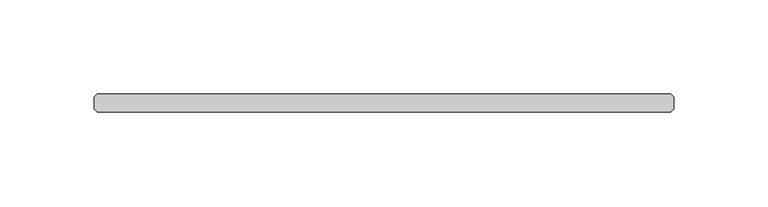
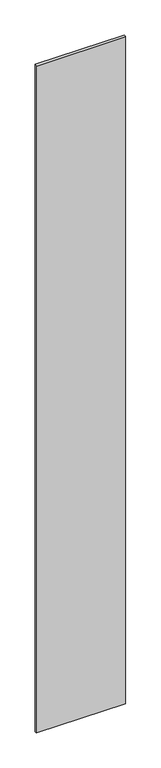
"""IFC4 building model written with IfcOpenShell, lengths in millimetres: plate geometry."""

from ifc_helpers import new_model, si_unit, origin, origin_with_axes, place, context, project, spatial, polyline, outline, extrude, source, transform, mapped, element, save


def plate_e2f29a8d(model_context):
    return source(origin(), model_context, "Body", "SweptSolid", [
        extrude(outline(polyline([(152.003125, 34.925), (153.590625, 33.3375), (153.590625, 26.9875), (152.003125, 25.4), (-152.003125, 25.4), (-153.590625, 26.9875), (-153.590625, 33.3375), (-152.003125, 34.925), (152.003125, 34.925)])), origin_with_axes(), (0.0, 0.0, 1.0), 2417.075),
    ])


if __name__ == "__main__":
    model = new_model("IFC4")
    model_context = context("Model", 3, world=origin())
    ifc_project = project(units=[si_unit("LENGTHUNIT", "METRE", prefix="MILLI")], contexts=[model_context])
    site = spatial("IfcSite", under=ifc_project)
    building = spatial("IfcBuilding", under=site)
    placement = place(None, origin())
    plate_shape = plate_e2f29a8d(model_context)
    element("IfcPlate", 1, at=placement, inside=building, context=model_context, shape_type="MappedRepresentation", body=[
        mapped(plate_shape, transform((0.0, 0.0, 0.0), x_axis=(1.0, 0.0, 0.0), y_axis=(0.0, 1.0, 0.0), z_axis=(0.0, 0.0, 1.0))),
    ])
    save(model, "model.ifc")
